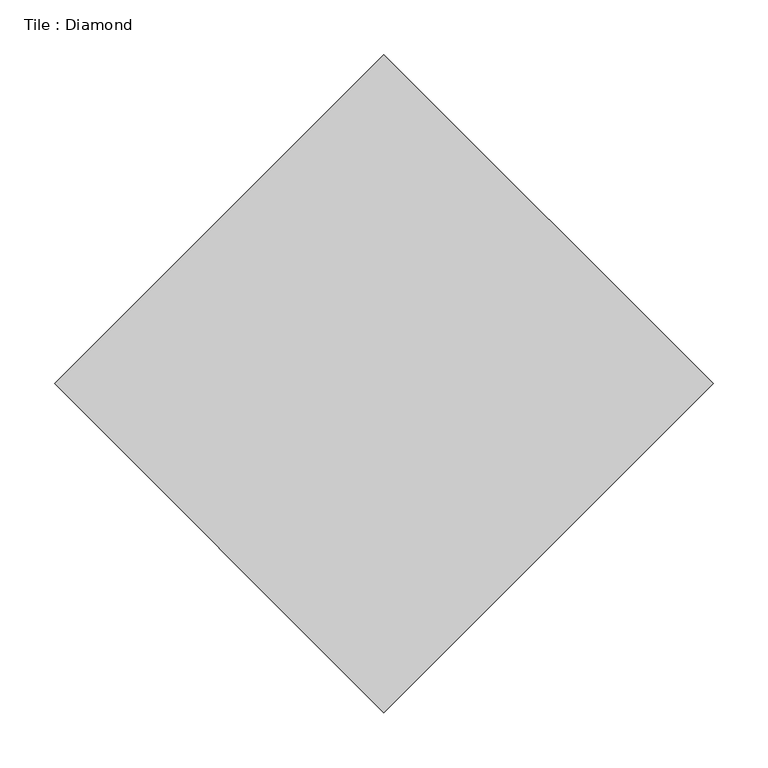
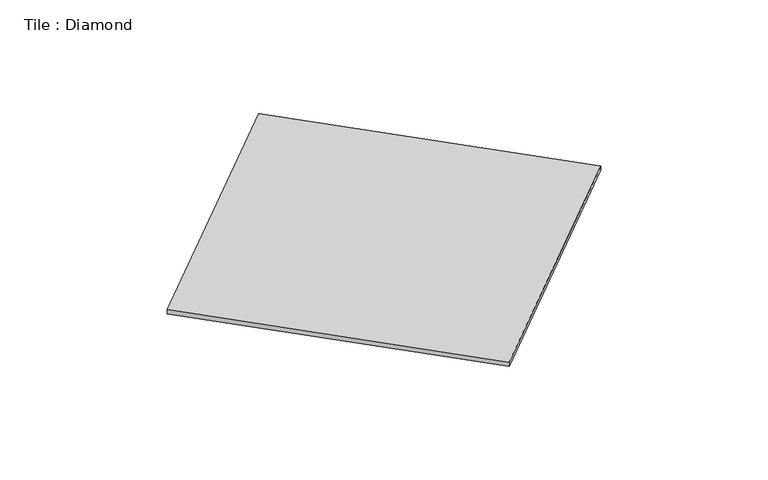
"""IFC4 building model written with IfcOpenShell, lengths in millimetres: proxy geometry, Tile : Diamond."""

from ifc_helpers import new_model, si_unit, origin, origin_with_axes, place, context, project, spatial, polyline, outline, extrude, source, transform, mapped, element, save


def tile_diamond_8ff12cb0(model_context):
    return source(origin(), model_context, "Body", "SweptSolid", [
        extrude(outline(polyline([(-300.0, 0.0), (0.0, 300.0), (300.0, 0.0), (0.0, -300.0), (-300.0, 0.0)])), origin_with_axes(), (0.0, 0.0, 1.0), 6.0),
    ])


if __name__ == "__main__":
    model = new_model("IFC4")
    model_context = context("Model", 3, world=origin())
    ifc_project = project(units=[si_unit("LENGTHUNIT", "METRE", prefix="MILLI")], contexts=[model_context])
    site = spatial("IfcSite", under=ifc_project)
    building = spatial("IfcBuilding", under=site)
    placement = place(None, origin())
    tile_diamond_shape = tile_diamond_8ff12cb0(model_context)
    element("IfcBuildingElementProxy", 1, Name="Tile : Diamond", ObjectType="Tile : Diamond", at=placement, inside=building, context=model_context, shape_type="MappedRepresentation", body=[
        mapped(tile_diamond_shape, transform((0.0, 0.0, 0.0), x_axis=(1.0, 0.0, 0.0), y_axis=(0.0, 1.0, 0.0), z_axis=(0.0, 0.0, 1.0))),
    ])
    save(model, "model.ifc")
